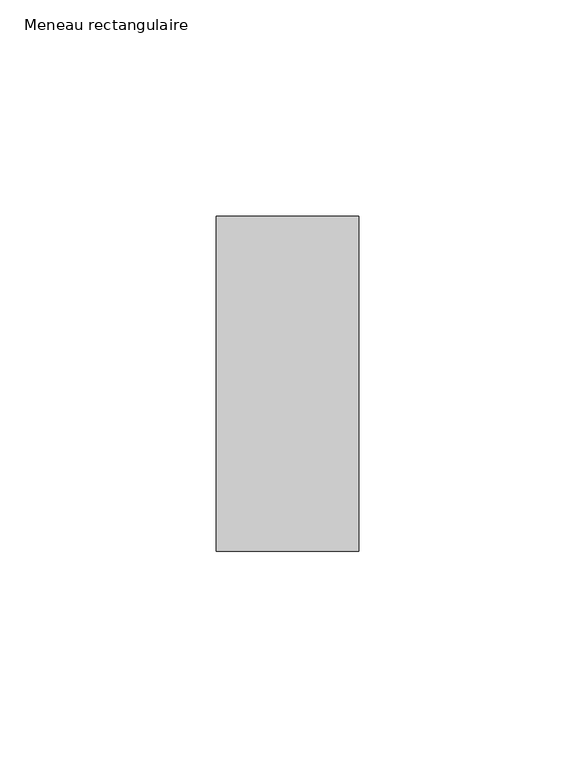
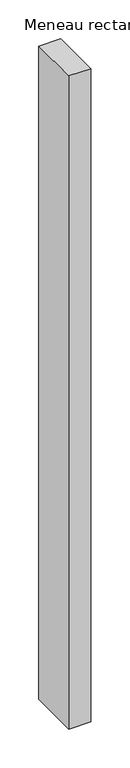
"""IFC4 building model written with IfcOpenShell, lengths in millimetres: member geometry, Meneau rectangulaire."""

from ifc_helpers import new_model, si_unit, frame, origin, place, context, project, spatial, polyline, outline, extrude, source, transform, mapped, element, save


def meneau_rectangulaire_4796e45a(model_context):
    return source(origin(), model_context, "Body", "SweptSolid", [
        extrude(outline(polyline([(0.0, 38.75), (0.0, -38.75), (-33.0, -38.75), (-33.0, 38.75), (0.0, 38.75)])), frame((0.0, 0.0, -1028.3830686), z_axis=(0.0, 0.0, 1.0), x_axis=(1.0, 0.0, 0.0)), (0.0, 0.0, 1.0), 1028.3830686),
    ])


if __name__ == "__main__":
    model = new_model("IFC4")
    model_context = context("Model", 3, world=origin())
    ifc_project = project(units=[si_unit("LENGTHUNIT", "METRE", prefix="MILLI")], contexts=[model_context])
    site = spatial("IfcSite", under=ifc_project)
    building = spatial("IfcBuilding", under=site)
    placement = place(None, origin())
    meneau_rectangulaire_shape = meneau_rectangulaire_4796e45a(model_context)
    element("IfcMember", 1, ObjectType="Meneau rectangulaire", at=placement, inside=building, context=model_context, shape_type="MappedRepresentation", body=[
        mapped(meneau_rectangulaire_shape, transform((0.0, 0.0, 0.0), x_axis=(1.0, 0.0, 0.0), y_axis=(0.0, 1.0, 0.0), z_axis=(0.0, 0.0, 1.0))),
    ])
    save(model, "model.ifc")
